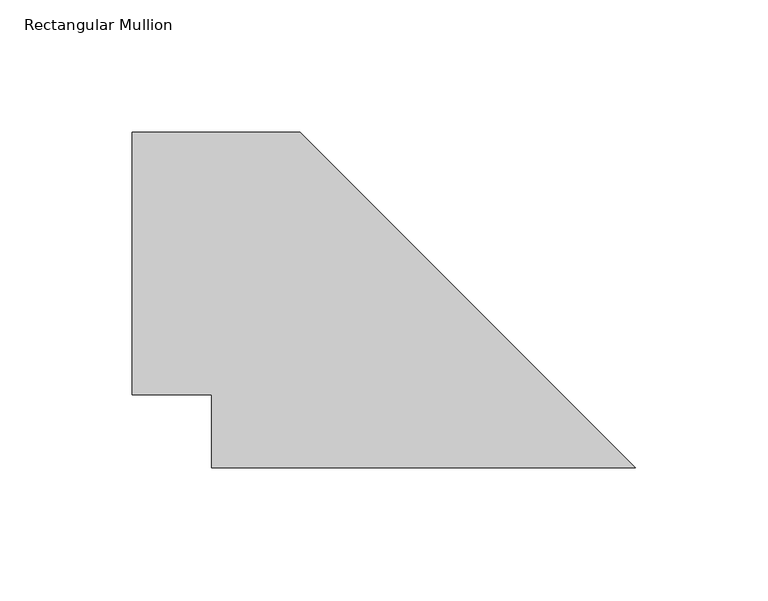
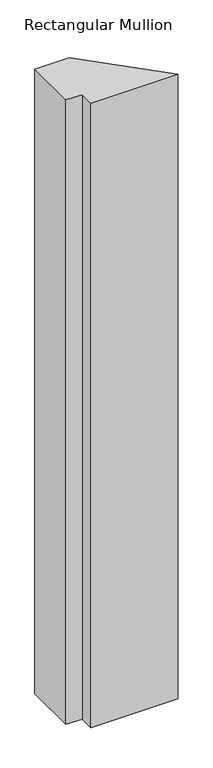
"""IFC4 building model written with IfcOpenShell, lengths in millimetres: member geometry, Rectangular Mullion."""

from ifc_helpers import new_model, si_unit, frame, origin, place, context, project, spatial, polyline, outline, extrude, source, transform, mapped, element, save


def rectangular_mullion_5cc9194d(model_context):
    return source(origin(), model_context, "Body", "SweptSolid", [
        extrude(outline(polyline([(-172.0794434, 11.6840047), (-172.0794434, 39.3700047), (-202.1840047, 39.3700047), (-202.1840047, 138.6840047), (-138.6840047, 138.6840047), (-11.6840047, 11.6840047), (-172.0794434, 11.6840047)])), frame((0.0, 0.0, -1219.2), z_axis=(0.0, 0.0, 1.0), x_axis=(1.0, 0.0, 0.0)), (0.0, 0.0, 1.0), 1219.2),
    ])


if __name__ == "__main__":
    model = new_model("IFC4")
    model_context = context("Model", 3, world=origin())
    ifc_project = project(units=[si_unit("LENGTHUNIT", "METRE", prefix="MILLI")], contexts=[model_context])
    site = spatial("IfcSite", under=ifc_project)
    building = spatial("IfcBuilding", under=site)
    placement = place(None, origin())
    rectangular_mullion_shape = rectangular_mullion_5cc9194d(model_context)
    element("IfcMember", 1, ObjectType="Rectangular Mullion", at=placement, inside=building, context=model_context, shape_type="MappedRepresentation", body=[
        mapped(rectangular_mullion_shape, transform((0.0, 0.0, 0.0), x_axis=(1.0, 0.0, 0.0), y_axis=(0.0, 1.0, 0.0), z_axis=(0.0, 0.0, 1.0))),
    ])
    save(model, "model.ifc")
